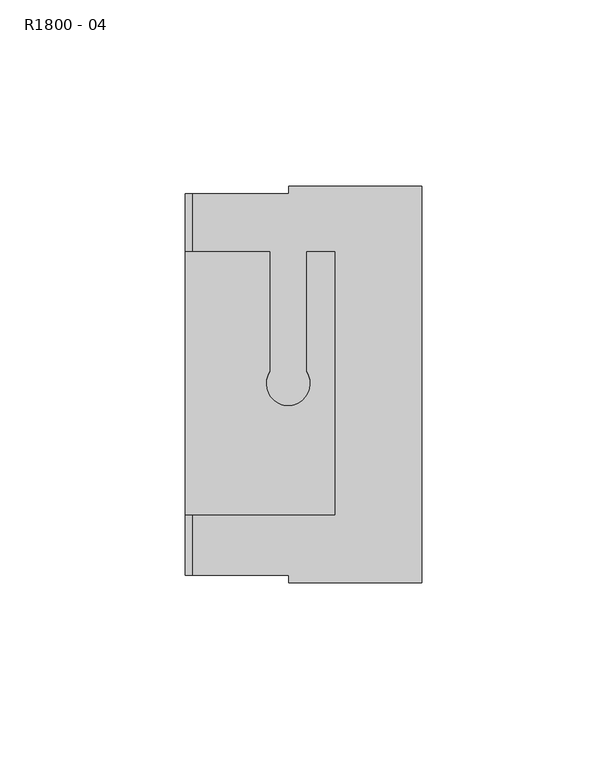
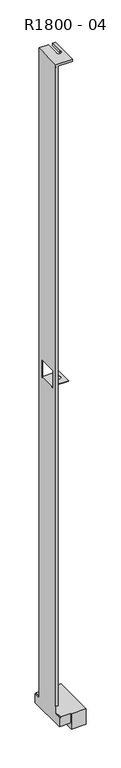
"""IFC4 building model written with IfcOpenShell, lengths in millimetres: proxy geometry, R1800 - 04."""

from ifc_helpers import new_model, si_unit, frame, origin, place, context, project, spatial, polyline, circle_curve, source, transform, mapped, element, save
from ifc_brep_helpers import plane_surface, revolved_surface, advanced_brep


def r1800_04_af14987c(model_context):
    return source(origin(), model_context, "Body", "AdvancedBrep", [
        advanced_brep(
        [(-39.3, 35.5, 1666.5), (-39.3, -35.5, 1666.5), (-39.3, -35.5, 1665.5), (-39.3, -34.5, 1665.5), (-39.3, -34.5, 19.0), (-39.3, -33.5, 19.0), (-39.3, -33.5, 1.0), (-39.3, 35.5, 1.0), (-39.3, 35.5, 2.0), (-39.3, 35.5, 1665.5), (-39.3, 20.5, 833.6190266), (-39.3, -20.5, 833.6190266), (-39.3, -20.5, 832.6190266), (-39.3, -20.5, 831.75), (-39.3, -22.5, 831.75), (-39.3, -22.5, 875.9693496), (-39.3, 22.5, 875.9693496), (-39.3, 22.5, 831.75), (-39.3, 20.5, 831.75), (-39.3, 20.5, 832.6190266), (-38.3, -35.5, 1665.5), (-38.3, -34.5, 1665.5), (-40.3, 35.5, 1672.5), (-40.3, -35.5, 1672.5), (0.0, -35.5, 1672.5), (0.0, 35.5, 1672.5), (-7.5, 35.5, 1672.5), (-7.5, 3.3166248, 1672.5), (-17.5, 3.3166248, 1672.5), (-17.5, 35.5, 1672.5), (-40.3, -35.5, 19.0), (-34.3, -35.5, 19.0), (-34.3, -35.5, 1665.5), (-2.0, -35.5, 1666.5), (0.0, -35.5, 1666.5), (0.0, -35.5, 1668.5), (-38.3, 35.5, 1666.5), (-17.5, 35.5, 1666.5), (-17.5, 3.3166248, 1666.5), (-7.5, 3.3166248, 1666.5), (-7.5, 35.5, 1666.5), (-2.0, 35.5, 1666.5), (0.0, 35.5, 1666.5), (-40.3, 20.5, 834.6190266), (-40.3, -20.5, 834.6190266), (-38.3, -20.5, 834.6190266), (-0.1116238, -20.5, 834.6190266), (-0.1116238, 20.5, 834.6190266), (-7.5, 20.5, 834.6190266), (-7.5, 3.3166248, 834.6190266), (-17.5, 3.3166248, 834.6190266), (-17.5, 20.5, 834.6190266), (-38.3, 20.5, 834.6190266), (-40.3, -38.5, -1.0), (-40.3, -33.5, -1.0), (-40.3, -33.5, 19.0), (-40.3, 35.5, 1665.5), (-40.3, 35.5, 2.0), (-40.3, 35.5, -1.0), (-40.3, 38.5, -1.0), (-40.3, 51.5, -1.0), (-40.3, 51.5, -24.0), (-40.3, 38.5, -24.0), (-40.3, -38.5, -24.0), (-40.3, -51.5, -24.0), (-40.3, -51.5, -1.0), (-40.3, 20.5, 832.6190266), (-40.3, 20.5, 831.75), (-40.3, 22.5, 831.75), (-40.3, 22.5, 875.9693496), (-40.3, -22.5, 875.9693496), (-40.3, -22.5, 831.75), (-40.3, -20.5, 831.75), (-40.3, -20.5, 832.6190266), (23.5, -35.5, 1.0), (23.5, -53.5, 1.0), (23.5, -53.5, -39.0), (23.5, 53.5, -39.0), (23.5, 53.5, 1.0), (-38.3, -51.5, -1.0), (-38.3, -51.5, 1.0), (-38.3, -33.5, 1.0), (-38.3, -33.5, -1.0), (-12.3, 51.5, 1.0), (-38.3, 51.5, 1.0), (-38.3, 35.5, 1.0), (-12.3, -51.5, 1.0), (-12.3, -53.5, 1.0), (-12.3, 53.5, 1.0), (-38.3, 51.5, -1.0), (-38.3, 35.5, -1.0), (-38.3, 20.5, 833.6190266), (-17.5, 20.5, 833.6190266), (-17.5, 3.3166248, 833.6190266), (-7.5, 3.3166248, 833.6190266), (-7.5, 20.5, 833.6190266), (-0.1116238, 20.5, 833.6190266), (-0.1116238, -20.5, 833.6190266), (-38.3, -20.5, 833.6190266), (-34.3, -34.5, 1665.5), (-34.3, -34.5, 19.0), (-12.3, -53.5, -39.0), (-12.3, 53.5, -39.0), (-12.3, -51.5, -24.0), (-12.3, 51.5, -24.0), (0.0, 35.5, 1668.5)],
        [
            (0, 1),
            (1, 2),
            (2, 3),
            (3, 4),
            (4, 5),
            (5, 6),
            (6, 7),
            (7, 8),
            (8, 9),
            (9, 0),
            (10, 11),
            (11, 12),
            (12, 13),
            (13, 14),
            (14, 15),
            (15, 16),
            (16, 17),
            (17, 18),
            (18, 19),
            (19, 10),
            (2, 20),
            (20, 21),
            (21, 3),
            (22, 23),
            (23, 24),
            (24, 25),
            (25, 26),
            (26, 27),
            (27, 28, circle_curve(frame((-12.5, 0.0, 1672.5), z_axis=(0.0, 0.0, -1.0), x_axis=(-3.66722746260186e-12, -1.0, 0.0)), 6.0)),
            (28, 29),
            (29, 22),
            (23, 30),
            (30, 31),
            (31, 32),
            (32, 20),
            (1, 33),
            (33, 34),
            (34, 35),
            (35, 24),
            (0, 36),
            (36, 37),
            (37, 38),
            (38, 39, circle_curve(frame((-12.5, 0.0, 1666.5), z_axis=(0.0, 0.0, 1.0), x_axis=(-3.66722746260186e-12, -1.0, 0.0)), 6.0)),
            (39, 40),
            (40, 41),
            (41, 42),
            (42, 34),
            (43, 44),
            (44, 45),
            (45, 46),
            (46, 47),
            (47, 48),
            (48, 49),
            (49, 50, circle_curve(frame((-12.5, 0.0, 834.6190266), z_axis=(0.0, 0.0, -1.0), x_axis=(-1.8073818517497998e-12, -1.0, 0.0)), 6.0)),
            (50, 51),
            (51, 52),
            (52, 43),
            (53, 54),
            (54, 55),
            (55, 30),
            (22, 56),
            (56, 57),
            (57, 58),
            (58, 59),
            (59, 60),
            (60, 61),
            (61, 62),
            (62, 63),
            (63, 64),
            (64, 65),
            (65, 53),
            (43, 66),
            (66, 67),
            (67, 68),
            (68, 69),
            (69, 70),
            (70, 71),
            (71, 72),
            (72, 73),
            (73, 44),
            (74, 75),
            (75, 76),
            (76, 77),
            (77, 78),
            (78, 74),
            (79, 80),
            (80, 81),
            (81, 82),
            (82, 79),
            (83, 84),
            (84, 85),
            (85, 7),
            (6, 81),
            (80, 86),
            (86, 87),
            (87, 75),
            (78, 88),
            (88, 83),
            (84, 89),
            (89, 90),
            (90, 85),
            (89, 60),
            (58, 90),
            (57, 8),
            (54, 82),
            (5, 55),
            (27, 39),
            (38, 28),
            (10, 91),
            (91, 92),
            (92, 93),
            (93, 94, circle_curve(frame((-12.5, 0.0, 833.6190266), z_axis=(0.0, 0.0, 1.0), x_axis=(-1.8073818517497998e-12, -1.0, 0.0)), 6.0)),
            (94, 95),
            (95, 96),
            (96, 97),
            (97, 98),
            (98, 11),
            (19, 66),
            (52, 91),
            (73, 12),
            (98, 45),
            (21, 99),
            (99, 100),
            (100, 4),
            (76, 101),
            (101, 102),
            (102, 77),
            (100, 31),
            (26, 40),
            (37, 29),
            (50, 93),
            (92, 51),
            (94, 49),
            (48, 95),
            (101, 87),
            (86, 103),
            (103, 104),
            (104, 83),
            (88, 102),
            (104, 61),
            (103, 64),
            (65, 79),
            (32, 99),
            (72, 13),
            (18, 67),
            (16, 69),
            (68, 17),
            (71, 14),
            (15, 70),
            (25, 105),
            (105, 42),
            (9, 56),
            (97, 46),
            (96, 47),
        ],
        [
            plane_surface(frame((-39.3, 0.0, 833.6190266), z_axis=(1.0, 0.0, 0.0), x_axis=(0.0, 0.0, -1.0))),
            plane_surface(frame((-38.3, -34.5, 1665.5), z_axis=(0.0, 0.0, 1.0), x_axis=(1.0, 0.0, 0.0))),
            plane_surface(frame((-1.0, -35.5, 1672.5), z_axis=(0.0, 0.0, 1.0), x_axis=(1.0, 0.0, 0.0))),
            plane_surface(frame((-1.0, -35.5, 1668.5), z_axis=(0.0, -1.0, 0.0), x_axis=(0.0, 0.0, -1.0))),
            plane_surface(frame((-20.4309734, 0.0, 1666.5), z_axis=(0.0, 0.0, -1.0), x_axis=(-1.0, 0.0, 0.0))),
            plane_surface(frame((-39.5619467, 0.0, 834.6190266), z_axis=(0.0, 0.0, 1.0), x_axis=(-1.0, 0.0, 0.0))),
            plane_surface(frame((-40.3, -43.8690266, -12.5), z_axis=(-1.0, 0.0, 0.0), x_axis=(0.0, 0.0, 1.0))),
            plane_surface(frame((23.5, 37.5, 0.0), z_axis=(1.0, 0.0, 0.0), x_axis=(0.0, 0.0, -1.0))),
            plane_surface(frame((-38.3, -36.4524334, -0.0475666), z_axis=(-1.0, 0.0, 0.0), x_axis=(0.0, 0.0, -1.0))),
            plane_surface(frame((0.0, 0.0, 1.0), z_axis=(0.0, 0.0, 1.0), x_axis=(1.0, 0.0, 0.0))),
            plane_surface(frame((-39.3, -38.5, -1.0), z_axis=(0.0, 0.0, 1.0), x_axis=(1.0, 0.0, 0.0))),
            plane_surface(frame((0.0, 35.5, 1668.5), z_axis=(0.0, 1.0, 0.0), x_axis=(0.0, 0.0, 1.0))),
            plane_surface(frame((-39.2524334, -33.5, 1.0475666), z_axis=(0.0, -1.0, 0.0), x_axis=(0.0, 0.0, 1.0))),
            revolved_surface(polyline([(-12.500000000022004, -6.0, 1672.5), (-12.500000000022004, -6.0, 1666.5)]), (-12.5, 0.0, 2549.6469081), (0.0, 0.0, 1.0)),
            plane_surface(frame((-39.5619467, 0.0, 833.6190266), z_axis=(0.0, 0.0, -1.0), x_axis=(-1.0, 0.0, 0.0))),
            plane_surface(frame((-42.05, 20.5, 832.6190266), z_axis=(0.0, 1.0, 0.0), x_axis=(0.0, 0.0, 1.0))),
            plane_surface(frame((-38.3, -20.5, 836.3690266), z_axis=(0.0, -1.0, 0.0), x_axis=(0.0, 0.0, -1.0))),
            plane_surface(frame((-37.4309734, -34.5, 833.75), z_axis=(0.0, 1.0, 0.0), x_axis=(0.0, 0.0, -1.0))),
            plane_surface(frame((0.0, -44.8690266, -39.0), z_axis=(0.0, 0.0, -1.0), x_axis=(0.0, 1.0, 0.0))),
            plane_surface(frame((-37.3, -34.5, 19.0), z_axis=(0.0, 0.0, -1.0), x_axis=(1.0, 0.0, 0.0))),
            plane_surface(frame((-7.5, -2.7215304, 833.6190266), z_axis=(-1.0, 0.0, 0.0), x_axis=(0.0, 1.0, 0.0))),
            plane_surface(frame((-17.5, 23.2215304, 833.6190266), z_axis=(1.0, 0.0, 0.0), x_axis=(0.0, -1.0, 0.0))),
            revolved_surface(polyline([(-12.500000000010845, -6.0, 834.6190265999999), (-12.500000000010845, -6.0, 833.6190265999999)]), (-12.5, 0.0, 2549.6469081), (0.0, 0.0, 1.0)),
            plane_surface(frame((-12.3, 37.5, -24.0), z_axis=(-1.0, 0.0, 0.0), x_axis=(0.0, 0.0, -1.0))),
            plane_surface(frame((-39.3, 51.5, -24.0), z_axis=(0.0, 1.0, 0.0), x_axis=(0.0, 0.0, 1.0))),
            plane_surface(frame((-40.3, -38.5, -24.0), z_axis=(0.0, 0.0, -1.0), x_axis=(-1.0, 0.0, 0.0))),
            plane_surface(frame((-39.3, -51.5, -1.0), z_axis=(0.0, -1.0, 0.0), x_axis=(0.0, 0.0, 1.0))),
            plane_surface(frame((-34.3, -34.5, 1665.5), z_axis=(1.0, 0.0, 0.0), x_axis=(0.0, 0.0, -1.0))),
            plane_surface(frame((-39.3, 22.5, 875.9693496), z_axis=(0.0, -1.0, 0.0), x_axis=(0.0, 0.0, -1.0))),
            plane_surface(frame((-39.3, 22.5, 831.75), z_axis=(0.0, 0.0, 1.0), x_axis=(0.0, -1.0, 0.0))),
            plane_surface(frame((-39.3, -20.5, 831.75), z_axis=(0.0, 0.0, 1.0), x_axis=(0.0, -1.0, 0.0))),
            plane_surface(frame((-39.3, -22.5, 875.9693496), z_axis=(0.0, 0.0, -1.0), x_axis=(0.0, 1.0, 0.0))),
            plane_surface(frame((-39.3, -22.5, 873.9693496), z_axis=(0.0, 1.0, 0.0), x_axis=(0.0, 0.0, 1.0))),
            plane_surface(frame((0.0, 0.0, 1669.3690266), z_axis=(1.0, 0.0, 0.0), x_axis=(0.0, 0.0, 1.0))),
            plane_surface(frame((-27.5, -53.5, -38.0), z_axis=(0.0, -1.0, 0.0), x_axis=(-1.0, 0.0, 0.0))),
            plane_surface(frame((27.5, 53.5, -38.0), z_axis=(0.0, 1.0, 0.0), x_axis=(-1.0, 0.0, 0.0))),
            plane_surface(frame((-0.1116238, 22.5, 833.6190266), z_axis=(1.0, 0.0, 0.0), x_axis=(0.0, -1.0, 0.0))),
            plane_surface(frame((-41.4309734, 20.5, 833.6190266), z_axis=(0.0, 1.0, 0.0), x_axis=(1.0, 0.0, 0.0))),
        ],
        [
            (0, [[1, 2, 3, 4, 5, 6, 7, 8, 9, 10], [11, 12, 13, 14, 15, 16, 17, 18, 19, 20]]),
            (1, [[-3, 21, 22, 23]]),
            (2, [[24, 25, 26, 27, 28, 29, 30, 31]]),
            (3, [[32, 33, 34, 35, -21, -2, 36, 37, 38, 39, -25]]),
            (4, [[-1, 40, 41, 42, 43, 44, 45, 46, 47, -37, -36]]),
            (5, [[48, 49, 50, 51, 52, 53, 54, 55, 56, 57]]),
            (6, [[58, 59, 60, -32, -24, 61, 62, 63, 64, 65, 66, 67, 68, 69, 70, 71], [-48, 72, 73, 74, 75, 76, 77, 78, 79, 80]]),
            (7, [[81, 82, 83, 84, 85]]),
            (8, [[86, 87, 88, 89]]),
            (9, [[90, 91, 92, -7, 93, -87, 94, 95, 96, -81, -85, 97, 98]]),
            (8, [[99, 100, 101, -91]]),
            (10, [[102, -65, -64, 103, -100]]),
            (11, [[-103, -63, 104, -8, -92, -101]]),
            (12, [[105, -88, -93, -6, 106, -59]]),
            (13, [[107, -43, 108, -29]]),
            (14, [[-11, 109, 110, 111, 112, 113, 114, 115, 116, 117]]),
            (15, [[-20, 118, -72, -57, 119, -109]]),
            (16, [[-80, 120, -12, -117, 121, -49]]),
            (17, [[-23, 122, 123, 124, -4]]),
            (18, [[-83, 125, 126, 127]]),
            (19, [[-33, -60, -106, -5, -124, 128]]),
            (20, [[129, -44, -107, -28]]),
            (21, [[130, -30, -108, -42]]),
            (21, [[131, -111, 132, -55]]),
            (20, [[133, -53, 134, -113]]),
            (22, [[-133, -112, -131, -54]]),
            (15, [[-132, -110, -119, -56]]),
            (23, [[-126, 135, -95, 136, 137, 138, -98, 139]]),
            (24, [[-66, -102, -99, -90, -138, 140]]),
            (25, [[-137, 141, -69, -68, -67, -140]]),
            (10, [[-71, 142, -89, -105, -58]]),
            (26, [[-70, -141, -136, -94, -86, -142]]),
            (1, [[-22, -35, 143, -122]]),
            (27, [[-128, -123, -143, -34]]),
            (16, [[-120, -79, 144, -13]]),
            (15, [[-118, -19, 145, -73]]),
            (28, [[-17, 146, -75, 147]]),
            (29, [[-18, -147, -74, -145]]),
            (30, [[-14, -144, -78, 148]]),
            (31, [[-76, -146, -16, 149]]),
            (32, [[-15, -148, -77, -149]]),
            (11, [[-129, -27, 150, 151, -46, -45]]),
            (33, [[-151, -150, -26, -39, -38, -47]]),
            (11, [[-40, -10, 152, -61, -31, -130, -41]]),
            (11, [[-152, -9, -104, -62]]),
            (34, [[-135, -125, -82, -96]]),
            (35, [[-139, -97, -84, -127]]),
            (16, [[-121, -116, 153, -50]]),
            (36, [[154, -51, -153, -115]]),
            (37, [[-134, -52, -154, -114]]),
        ],
    ),
    ])


if __name__ == "__main__":
    model = new_model("IFC4")
    model_context = context("Model", 3, world=origin())
    ifc_project = project(units=[si_unit("LENGTHUNIT", "METRE", prefix="MILLI")], contexts=[model_context])
    site = spatial("IfcSite", under=ifc_project)
    building = spatial("IfcBuilding", under=site)
    placement = place(None, origin())
    r1800_04_shape = r1800_04_af14987c(model_context)
    element("IfcBuildingElementProxy", 1, Name="R1800 - 04", ObjectType="R1800 - 04", at=placement, inside=building, context=model_context, shape_type="MappedRepresentation", body=[
        mapped(r1800_04_shape, transform((0.0, 0.0, 0.0), x_axis=(1.0, 0.0, 0.0), y_axis=(0.0, 1.0, 0.0), z_axis=(0.0, 0.0, 1.0))),
    ])
    save(model, "model.ifc")
